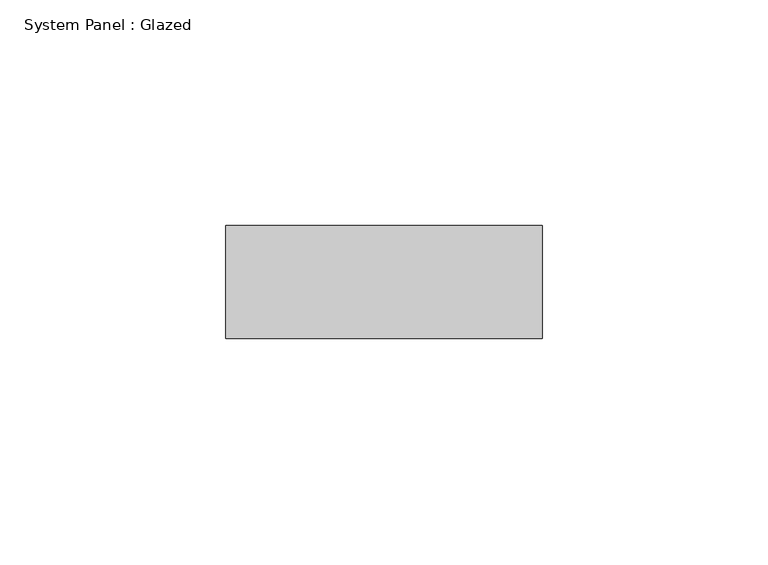
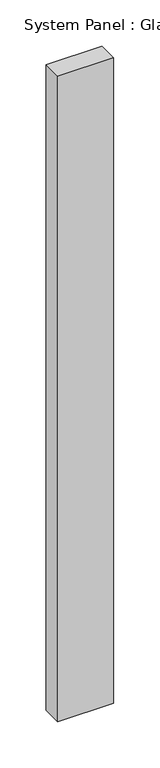
"""IFC4 building model written with IfcOpenShell, lengths in millimetres: plate geometry, System Panel : Glazed."""

from ifc_helpers import new_model, si_unit, origin, origin_with_axes, place, context, project, spatial, polyline, outline, extrude, source, transform, mapped, element, save


def system_panel_glazed_374b9324(model_context):
    return source(origin(), model_context, "Body", "SweptSolid", [
        extrude(outline(polyline([(35.0, -49.5), (-35.0, -49.5), (-35.0, -24.5), (35.0, -24.5), (35.0, -49.5)])), origin_with_axes(), (0.0, 0.0, 1.0), 851.6666667),
    ])


if __name__ == "__main__":
    model = new_model("IFC4")
    model_context = context("Model", 3, world=origin())
    ifc_project = project(units=[si_unit("LENGTHUNIT", "METRE", prefix="MILLI")], contexts=[model_context])
    site = spatial("IfcSite", under=ifc_project)
    building = spatial("IfcBuilding", under=site)
    placement = place(None, origin())
    system_panel_glazed_shape = system_panel_glazed_374b9324(model_context)
    element("IfcPlate", 1, ObjectType="System Panel : Glazed", at=placement, inside=building, context=model_context, shape_type="MappedRepresentation", body=[
        mapped(system_panel_glazed_shape, transform((0.0, 0.0, 0.0), x_axis=(1.0, 0.0, 0.0), y_axis=(0.0, 1.0, 0.0), z_axis=(0.0, 0.0, 1.0))),
    ])
    save(model, "model.ifc")
